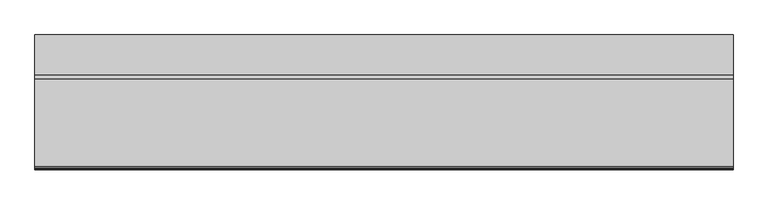
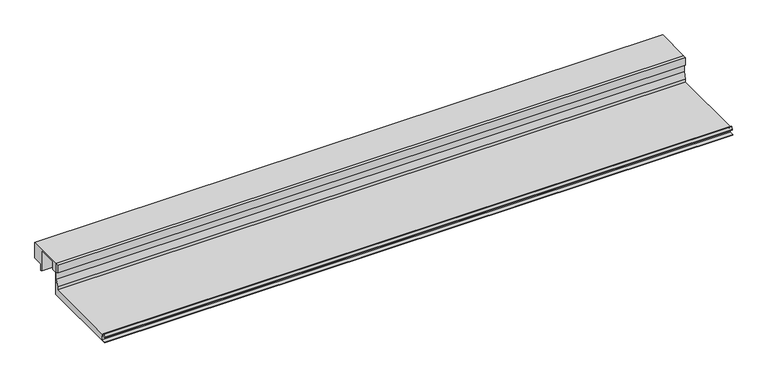
"""IFC4 building model written with IfcOpenShell, lengths in millimetres: proxy geometry."""

import ifcopenshell
import ifcopenshell.guid

model = None  # the IFC model being written
_history = None  # IfcOwnerHistory: only IFC2X3 demands one
_inside = {}  # id of a spatial element -> (the spatial element, [elements in it])
_under = {}  # id of a project, library or spatial element -> (it, [spatial elements below it])
_declared = {}  # id of a project -> (the project, [libraries it declares])
_typed = {}  # id of a type object -> (the type object, [elements of that type])
_made_of = {}  # id of a material, layer set ... -> (it, [elements and type objects made of it])


def new_model(schema):
    """Start an empty IFC model of exactly this schema.

    Asked for "IFC4X3", IfcOpenShell would pick the latest addendum, in which some entities
    have other attributes; the version numbers below select the first issue.
    IFC2X3 requires an IfcOwnerHistory on every rooted entity: one is made here for all.
    """
    global model, _history
    if schema == "IFC4X3":
        model = ifcopenshell.file(schema_version=(4, 3, 0, 0))
    else:
        model = ifcopenshell.file(schema=schema)
    _inside.clear()
    _under.clear()
    _declared.clear()
    _typed.clear()
    _made_of.clear()
    _history = None
    if model.schema == "IFC2X3":
        org = make("IfcOrganization", Name="unknown")
        user = make(
            "IfcPersonAndOrganization",
            ThePerson=make("IfcPerson", FamilyName="unknown"),
            TheOrganization=org,
        )
        app = make(
            "IfcApplication",
            ApplicationDeveloper=org,
            Version="unknown",
            ApplicationFullName="unknown",
            ApplicationIdentifier="unknown",
        )
        _history = make(
            "IfcOwnerHistory",
            OwningUser=user,
            OwningApplication=app,
            ChangeAction="ADDED",
            CreationDate=0,
        )
    return model


def make(cls, **values):
    """One entity of the class cls with the attributes given. An attribute that is None is left unset."""
    return model.create_entity(
        cls, **{name: value for name, value in values.items() if value is not None}
    )


def rooted(cls, **values):
    """An entity with a GlobalId (a new one), such as an element, a storey or a relation."""
    return make(cls, GlobalId=ifcopenshell.guid.new(), OwnerHistory=_history, **values)


def si_unit(unit_type, name, prefix=None):
    """IfcSIUnit, for example si_unit("LENGTHUNIT", "METRE", prefix="MILLI")."""
    return make("IfcSIUnit", UnitType=unit_type, Prefix=prefix, Name=name)


def assignment(units):
    """IfcUnitAssignment: the units of a project."""
    return None if units is None else make("IfcUnitAssignment", Units=units)


def point(xyz):
    """IfcCartesianPoint."""
    return None if xyz is None else make("IfcCartesianPoint", Coordinates=xyz)


def direction(xyz):
    """IfcDirection."""
    return None if xyz is None else make("IfcDirection", DirectionRatios=xyz)


def frame(location, z_axis=None, x_axis=None):
    """IfcAxis2Placement3D, a coordinate frame: its origin and axes. An axis left out is left unset."""
    return make(
        "IfcAxis2Placement3D",
        Location=point(location),
        Axis=direction(z_axis),
        RefDirection=direction(x_axis),
    )


def frame_2d(location, x_axis=None):
    """IfcAxis2Placement2D, a coordinate frame in the plane: its origin and x axis."""
    return make(
        "IfcAxis2Placement2D", Location=point(location), RefDirection=direction(x_axis)
    )


def origin():
    """The frame at (0, 0, 0) with its axes left unset."""
    return frame((0.0, 0.0, 0.0))


def place(relative_to, where):
    """IfcLocalPlacement: puts the frame where relative to a parent placement (None: the world)."""
    return make(
        "IfcLocalPlacement", PlacementRelTo=relative_to, RelativePlacement=where
    )


def context(
    kind, dimensions, precision=None, world=None, true_north=None, identifier=None
):
    """IfcGeometricRepresentationContext, for example the 3D "Model" context."""
    return make(
        "IfcGeometricRepresentationContext",
        ContextIdentifier=identifier,
        ContextType=kind,
        CoordinateSpaceDimension=dimensions,
        Precision=precision,
        WorldCoordinateSystem=world,
        TrueNorth=true_north,
    )


def project(units=None, contexts=None):
    """IfcProject with its units and contexts."""
    return rooted(
        "IfcProject",
        Name="project",
        RepresentationContexts=contexts,
        UnitsInContext=assignment(units),
    )


def spatial(cls, under=None, at=None, **own):
    """A site, building, storey or space (cls), placed at a placement, below another one or the project."""
    s = rooted(cls, ObjectPlacement=at, **own)
    if under is not None:
        _under.setdefault(under.id(), (under, []))[1].append(s)
    return s


def polyline(points):
    """IfcPolyline through the points."""
    return make("IfcPolyline", Points=[point(p) for p in points])


def circle_curve(where, radius):
    """IfcCircle in the frame where."""
    return make("IfcCircle", Position=where, Radius=radius)


def trimmed(basis, trim1, trim2, sense, master):
    """IfcTrimmedCurve: the piece of a basis curve between two trims."""
    return make(
        "IfcTrimmedCurve",
        BasisCurve=basis,
        Trim1=trim1,
        Trim2=trim2,
        SenseAgreement=sense,
        MasterRepresentation=master,
    )


def segment(curve, same_sense, transition):
    """IfcCompositeCurveSegment."""
    return make(
        "IfcCompositeCurveSegment",
        Transition=transition,
        SameSense=same_sense,
        ParentCurve=curve,
    )


def composite_curve(segments, self_intersect=None):
    """IfcCompositeCurve: segments joined end to end."""
    return make("IfcCompositeCurve", Segments=segments, SelfIntersect=self_intersect)


def outline(outer, holes=None, kind="AREA"):
    """IfcArbitraryClosedProfileDef: a profile drawn as a closed curve; with holes, ...WithVoids."""
    if holes is None:
        return make("IfcArbitraryClosedProfileDef", ProfileType=kind, OuterCurve=outer)
    return make(
        "IfcArbitraryProfileDefWithVoids",
        ProfileType=kind,
        OuterCurve=outer,
        InnerCurves=holes,
    )


def extrude(swept, where, along, depth):
    """IfcExtrudedAreaSolid: the profile swept, set in the frame where, extruded along a direction by depth."""
    return make(
        "IfcExtrudedAreaSolid",
        SweptArea=swept,
        Position=where,
        ExtrudedDirection=direction(along),
        Depth=depth,
    )


def shape(context_of_items, identifier, shape_type, items):
    """IfcShapeRepresentation: the items that make up one representation, for example the "Body"."""
    return make(
        "IfcShapeRepresentation",
        ContextOfItems=context_of_items,
        RepresentationIdentifier=identifier,
        RepresentationType=shape_type,
        Items=items,
    )


def source(mapping_origin, context_of_items, identifier, shape_type, items):
    """IfcRepresentationMap: a shape defined once, which mapped items show again and again."""
    return make(
        "IfcRepresentationMap",
        MappingOrigin=mapping_origin,
        MappedRepresentation=shape(context_of_items, identifier, shape_type, items),
    )


def transform(
    local_origin,
    x_axis=None,
    y_axis=None,
    z_axis=None,
    scale=None,
    scale2=None,
    scale3=None,
    uniform=True,
):
    """IfcCartesianTransformationOperator3D, or its non-uniform kind. x_axis, y_axis, z_axis: its Axis1, 2, 3."""
    if uniform:
        return make(
            "IfcCartesianTransformationOperator3D",
            Axis1=direction(x_axis),
            Axis2=direction(y_axis),
            LocalOrigin=point(local_origin),
            Scale=scale,
            Axis3=direction(z_axis),
        )
    return make(
        "IfcCartesianTransformationOperator3DnonUniform",
        Axis1=direction(x_axis),
        Axis2=direction(y_axis),
        LocalOrigin=point(local_origin),
        Scale=scale,
        Axis3=direction(z_axis),
        Scale2=scale2,
        Scale3=scale3,
    )


def mapped(mapping_source, mapping_target):
    """IfcMappedItem: shows the shape of a source again, moved by a transform."""
    return make(
        "IfcMappedItem", MappingSource=mapping_source, MappingTarget=mapping_target
    )


def made_of(thing, what):
    """Note that an element or type object is made of a material, layer set ...; save() writes the relation."""
    if what is not None:
        _made_of.setdefault(what.id(), (what, []))[1].append(thing)
    return thing


def element(
    cls,
    number,
    at=None,
    inside=None,
    cuts=None,
    type_object=None,
    material=None,
    context=None,
    identifier="Body",
    shape_type=None,
    held_by="IfcProductDefinitionShape",
    body=None,
    shapes=None,
    **own,
):
    """One element of the class cls, such as IfcWall. Its Tag is "e" and its number.

    at: its placement. inside: the storey or other place that contains it. cuts: it is an
    opening in that element (IfcRelVoidsElement). A single representation is given by context,
    identifier, shape_type and body (its items); several are given by shapes. held_by: the class
    of the entity that holds the representations. save() writes the other relations.
    """
    e = rooted(cls, Tag="e%d" % number, ObjectPlacement=at, **own)
    if body is not None:
        shapes = [shape(context, identifier, shape_type, body)]
    if shapes is not None:
        e.Representation = make(held_by, Representations=shapes)
    if inside is not None:
        _inside.setdefault(inside.id(), (inside, []))[1].append(e)
    if cuts is not None:
        rooted(
            "IfcRelVoidsElement", RelatingBuildingElement=cuts, RelatedOpeningElement=e
        )
    if type_object is not None:
        _typed.setdefault(type_object.id(), (type_object, []))[1].append(e)
    return made_of(e, material)


def aggregate(whole, parts):
    """IfcRelAggregates: a whole, such as a stair, and the parts it consists of."""
    return rooted("IfcRelAggregates", RelatingObject=whole, RelatedObjects=parts)


def save(model, path):
    """Write the relations noted so far, then the file.

    IfcRelAggregates (storeys below a building ...), IfcRelContainedInSpatialStructure (elements
    in a storey), IfcRelDefinesByType, IfcRelAssociatesMaterial and IfcRelDeclares: one each for
    every whole, place, type object, material and project.
    """
    for whole, parts in _under.values():
        aggregate(whole, parts)
    for where, things in _inside.values():
        rooted(
            "IfcRelContainedInSpatialStructure",
            RelatedElements=things,
            RelatingStructure=where,
        )
    for kind, things in _typed.values():
        rooted("IfcRelDefinesByType", RelatedObjects=things, RelatingType=kind)
    for what, things in _made_of.values():
        rooted("IfcRelAssociatesMaterial", RelatedObjects=things, RelatingMaterial=what)
    for by, libraries in _declared.values():
        rooted("IfcRelDeclares", RelatingContext=by, RelatedDefinitions=libraries)
    model.write(path)


def specialty_equipment_5cecd6a8(model_context):
    return source(origin(), model_context, "Body", "SweptSolid", [
        extrude(outline(polyline([(165.632524, 63.5), (235.482524, 63.5), (235.482524, 31.75), (215.241899, 31.75), (215.241899, 19.05), (212.9598677, 19.05), (212.9598677, 61.1898306), (175.284524, 61.1898306), (175.284524, 44.45), (165.632524, 44.45), (165.632524, 63.5)])), frame((0.0, 0.0, 0.0), z_axis=(1.0, 0.0, 0.0), x_axis=(0.0, 1.0, 0.0)), (0.0, 0.0, 1.0), 1219.2),
        extrude(outline(composite_curve([segment(polyline([(165.632524, 0.0), (0.0, 0.0), (0.0, 1.651), (8.368424, 1.7970714), (8.368424, 9.7466904)]), True, "CONTINUOUS"), segment(trimmed(circle_curve(frame_2d((7.805541, 9.7466904)), 0.562883), [point((8.368424, 9.7466904))], [point((7.805541, 10.3095735))], True, "CARTESIAN"), True, "CONTINUOUS"), segment(polyline([(7.805541, 10.3095735), (1.0402986, 10.3095735)]), True, "CONTINUOUS"), segment(trimmed(circle_curve(frame_2d((1.0402986, 10.8138628)), 0.5042893), [point((1.0402986, 10.3095735))], [point((0.5832573, 11.0269846))], False, "CARTESIAN"), True, "CONTINUOUS"), segment(polyline([(0.5832573, 11.0269846), (2.843924, 15.875), (5.206124, 15.875), (5.206124, 12.7), (159.282524, 12.7), (159.282524, 19.05), (163.346524, 31.75), (163.346524, 46.0298451), (158.495124, 48.3942822), (158.495124, 63.5), (165.632524, 63.5), (165.632524, 0.0)]), True, "CONTINUOUS")], self_intersect=False)), frame((0.0, 0.0, 0.0), z_axis=(1.0, 0.0, 0.0), x_axis=(0.0, 1.0, 0.0)), (0.0, 0.0, 1.0), 1219.2),
    ])


if __name__ == "__main__":
    model = new_model("IFC4")
    model_context = context("Model", 3, world=origin())
    ifc_project = project(units=[si_unit("LENGTHUNIT", "METRE", prefix="MILLI")], contexts=[model_context])
    site = spatial("IfcSite", under=ifc_project)
    building = spatial("IfcBuilding", under=site)
    placement = place(None, origin())
    specialty_equipment_shape = specialty_equipment_5cecd6a8(model_context)
    element("IfcBuildingElementProxy", 1, Name="Specialty Equipment", at=placement, inside=building, context=model_context, shape_type="MappedRepresentation", body=[
        mapped(specialty_equipment_shape, transform((0.0, 0.0, 0.0), x_axis=(1.0, 0.0, 0.0), y_axis=(0.0, 1.0, 0.0), z_axis=(0.0, 0.0, 1.0))),
    ])
    save(model, "model.ifc")
